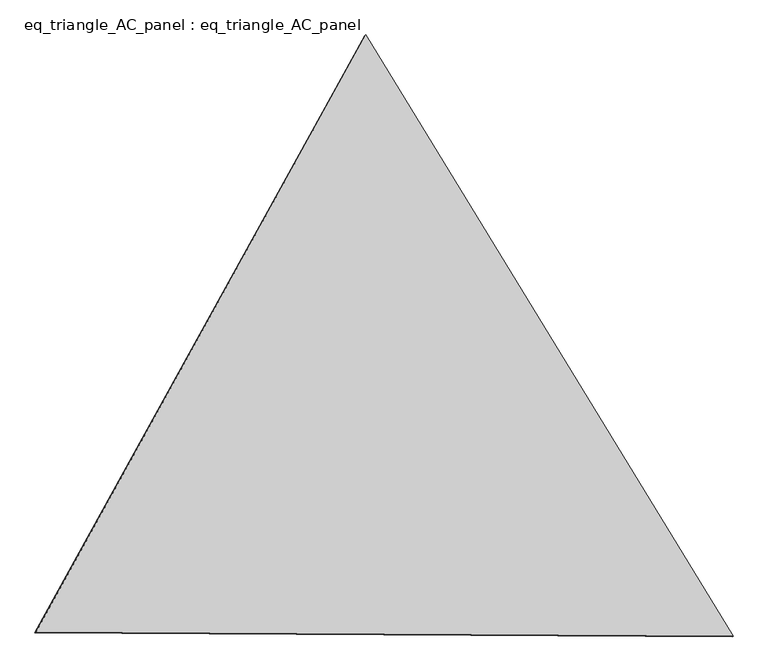
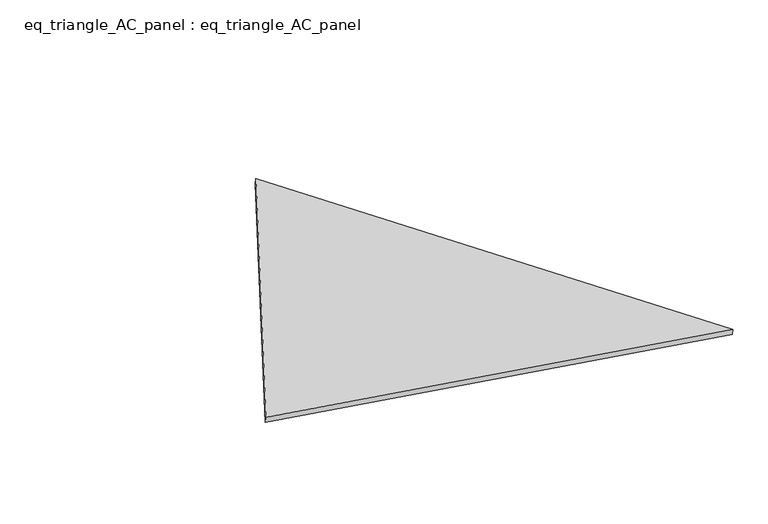
"""IFC4 building model written with IfcOpenShell, lengths in millimetres: proxy geometry, eq_triangle_AC_panel : eq_triangle_AC_panel."""

from ifc_helpers import new_model, si_unit, frame, origin, place, context, project, spatial, polyline, outline, extrude, source, transform, mapped, element, save


def eq_triangle_ac_panel_eq_triangle_ac_panel_b9a75871(model_context):
    return source(origin(), model_context, "Body", "SweptSolid", [
        extrude(outline(polyline([(-2032.8306629, 1173.1700195), (2091.2842303, 1173.1700196), (-58.4535675, -2346.3400391), (-2032.8306629, 1173.1700195)])), frame((0.0038051, 527.9290861, 89.8240019), z_axis=(0.1452632851808263, 0.08386570281846355, 0.9858321976225158), x_axis=(0.5211103640699104, -0.8534790669542248, -0.004179800219090487)), (0.0, 0.0, 1.0), 43.8306294),
    ])


if __name__ == "__main__":
    model = new_model("IFC4")
    model_context = context("Model", 3, world=origin())
    ifc_project = project(units=[si_unit("LENGTHUNIT", "METRE", prefix="MILLI")], contexts=[model_context])
    site = spatial("IfcSite", under=ifc_project)
    building = spatial("IfcBuilding", under=site)
    placement = place(None, origin())
    eq_triangle_ac_panel_eq_triangle_ac_panel_shape = eq_triangle_ac_panel_eq_triangle_ac_panel_b9a75871(model_context)
    element("IfcBuildingElementProxy", 1, Name="eq_triangle_AC_panel : eq_triangle_AC_panel", ObjectType="eq_triangle_AC_panel : eq_triangle_AC_panel", at=placement, inside=building, context=model_context, shape_type="MappedRepresentation", body=[
        mapped(eq_triangle_ac_panel_eq_triangle_ac_panel_shape, transform((0.0, 0.0, 0.0), x_axis=(1.0, 0.0, 0.0), y_axis=(0.0, 1.0, 0.0), z_axis=(0.0, 0.0, 1.0))),
    ])
    save(model, "model.ifc")
